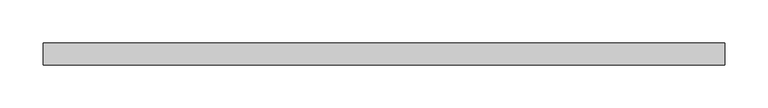
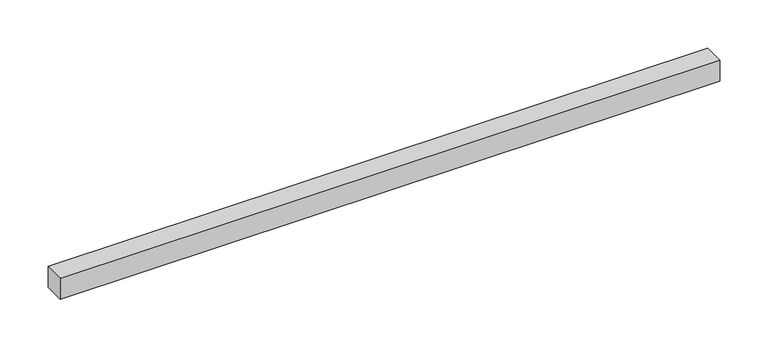
"""IFC4 building model written with IfcOpenShell, lengths in millimetres: proxy geometry."""

from ifc_helpers import new_model, si_unit, frame, origin, place, context, project, spatial, polyline, outline, extrude, source, transform, mapped, element, save


def generic_models_fdce1ed6(model_context):
    return source(origin(), model_context, "Body", "SweptSolid", [
        extrude(outline(polyline([(-790.8036682, 0.0), (0.0, 0.0), (0.0, -25.4), (-790.8036682, -25.4), (-790.8036682, 0.0)])), frame((0.0, 0.0, 1578.3051155), z_axis=(0.0, 0.0, 1.0), x_axis=(1.0, 0.0, 0.0)), (0.0, 0.0, 1.0), 26.8733597),
    ])


if __name__ == "__main__":
    model = new_model("IFC4")
    model_context = context("Model", 3, world=origin())
    ifc_project = project(units=[si_unit("LENGTHUNIT", "METRE", prefix="MILLI")], contexts=[model_context])
    site = spatial("IfcSite", under=ifc_project)
    building = spatial("IfcBuilding", under=site)
    placement = place(None, origin())
    generic_models_shape = generic_models_fdce1ed6(model_context)
    element("IfcBuildingElementProxy", 1, Name="Generic Models", at=placement, inside=building, context=model_context, shape_type="MappedRepresentation", body=[
        mapped(generic_models_shape, transform((0.0, 0.0, 0.0), x_axis=(1.0, 0.0, 0.0), y_axis=(0.0, 1.0, 0.0), z_axis=(0.0, 0.0, 1.0))),
    ])
    save(model, "model.ifc")
